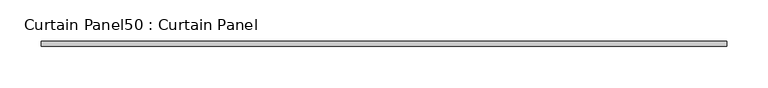
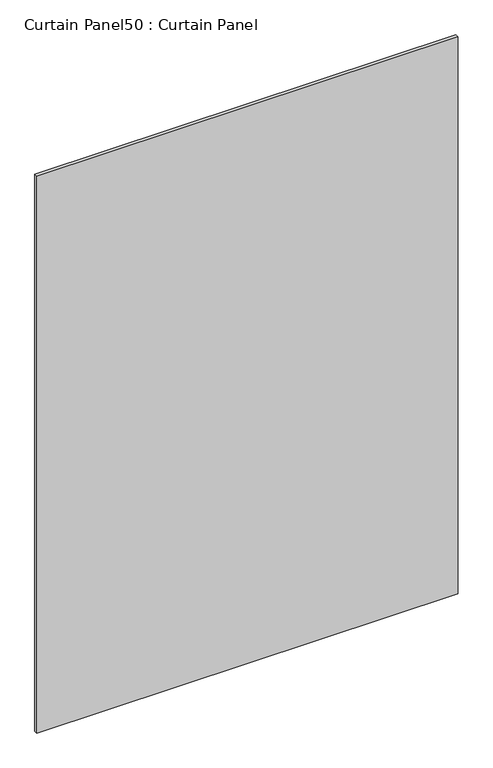
"""IFC4 building model written with IfcOpenShell, lengths in millimetres: plate geometry, Curtain Panel50 : Curtain Panel."""

from ifc_helpers import new_model, si_unit, frame, origin, place, context, project, spatial, polyline, outline, extrude, source, transform, mapped, element, save


def curtain_panel50_curtain_panel_0f049012(model_context):
    return source(origin(), model_context, "Body", "SweptSolid", [
        extrude(outline(polyline([(-39240.7496366, 3064.8136018), (-40072.5893286, 3064.8136018), (-40072.5893286, 3071.1636018), (-39240.7496366, 3071.1636018), (-39240.7496366, 3064.8136018)])), frame((0.0, 0.0, 41.275), z_axis=(0.0, 0.0, 1.0), x_axis=(1.0, 0.0, 0.0)), (0.0, 0.0, 1.0), 1161.8595),
    ])


if __name__ == "__main__":
    model = new_model("IFC4")
    model_context = context("Model", 3, world=origin())
    ifc_project = project(units=[si_unit("LENGTHUNIT", "METRE", prefix="MILLI")], contexts=[model_context])
    site = spatial("IfcSite", under=ifc_project)
    building = spatial("IfcBuilding", under=site)
    placement = place(None, origin())
    curtain_panel50_curtain_panel_shape = curtain_panel50_curtain_panel_0f049012(model_context)
    element("IfcPlate", 1, ObjectType="Curtain Panel50 : Curtain Panel", at=placement, inside=building, context=model_context, shape_type="MappedRepresentation", body=[
        mapped(curtain_panel50_curtain_panel_shape, transform((0.0, 0.0, 0.0), x_axis=(1.0, 0.0, 0.0), y_axis=(0.0, 1.0, 0.0), z_axis=(0.0, 0.0, 1.0))),
    ])
    save(model, "model.ifc")
